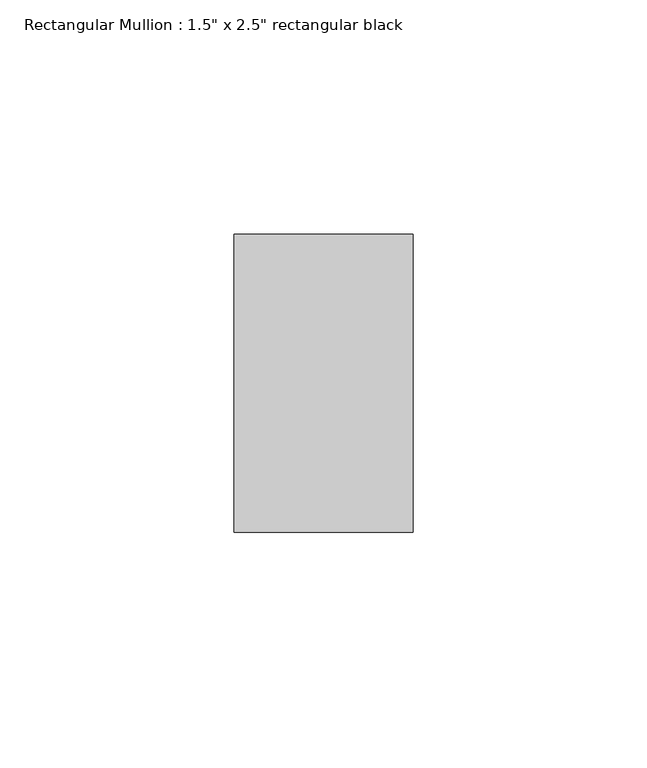
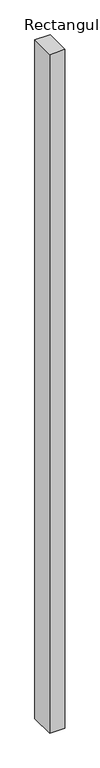
"""IFC4 building model written with IfcOpenShell, lengths in millimetres: member geometry."""

import ifcopenshell
import ifcopenshell.guid

model = None  # the IFC model being written
_history = None  # IfcOwnerHistory: only IFC2X3 demands one
_inside = {}  # id of a spatial element -> (the spatial element, [elements in it])
_under = {}  # id of a project, library or spatial element -> (it, [spatial elements below it])
_declared = {}  # id of a project -> (the project, [libraries it declares])
_typed = {}  # id of a type object -> (the type object, [elements of that type])
_made_of = {}  # id of a material, layer set ... -> (it, [elements and type objects made of it])


def new_model(schema):
    """Start an empty IFC model of exactly this schema.

    Asked for "IFC4X3", IfcOpenShell would pick the latest addendum, in which some entities
    have other attributes; the version numbers below select the first issue.
    IFC2X3 requires an IfcOwnerHistory on every rooted entity: one is made here for all.
    """
    global model, _history
    if schema == "IFC4X3":
        model = ifcopenshell.file(schema_version=(4, 3, 0, 0))
    else:
        model = ifcopenshell.file(schema=schema)
    _inside.clear()
    _under.clear()
    _declared.clear()
    _typed.clear()
    _made_of.clear()
    _history = None
    if model.schema == "IFC2X3":
        org = make("IfcOrganization", Name="unknown")
        user = make(
            "IfcPersonAndOrganization",
            ThePerson=make("IfcPerson", FamilyName="unknown"),
            TheOrganization=org,
        )
        app = make(
            "IfcApplication",
            ApplicationDeveloper=org,
            Version="unknown",
            ApplicationFullName="unknown",
            ApplicationIdentifier="unknown",
        )
        _history = make(
            "IfcOwnerHistory",
            OwningUser=user,
            OwningApplication=app,
            ChangeAction="ADDED",
            CreationDate=0,
        )
    return model


def make(cls, **values):
    """One entity of the class cls with the attributes given. An attribute that is None is left unset."""
    return model.create_entity(
        cls, **{name: value for name, value in values.items() if value is not None}
    )


def rooted(cls, **values):
    """An entity with a GlobalId (a new one), such as an element, a storey or a relation."""
    return make(cls, GlobalId=ifcopenshell.guid.new(), OwnerHistory=_history, **values)


def si_unit(unit_type, name, prefix=None):
    """IfcSIUnit, for example si_unit("LENGTHUNIT", "METRE", prefix="MILLI")."""
    return make("IfcSIUnit", UnitType=unit_type, Prefix=prefix, Name=name)


def assignment(units):
    """IfcUnitAssignment: the units of a project."""
    return None if units is None else make("IfcUnitAssignment", Units=units)


def point(xyz):
    """IfcCartesianPoint."""
    return None if xyz is None else make("IfcCartesianPoint", Coordinates=xyz)


def direction(xyz):
    """IfcDirection."""
    return None if xyz is None else make("IfcDirection", DirectionRatios=xyz)


def frame(location, z_axis=None, x_axis=None):
    """IfcAxis2Placement3D, a coordinate frame: its origin and axes. An axis left out is left unset."""
    return make(
        "IfcAxis2Placement3D",
        Location=point(location),
        Axis=direction(z_axis),
        RefDirection=direction(x_axis),
    )


def origin():
    """The frame at (0, 0, 0) with its axes left unset."""
    return frame((0.0, 0.0, 0.0))


def place(relative_to, where):
    """IfcLocalPlacement: puts the frame where relative to a parent placement (None: the world)."""
    return make(
        "IfcLocalPlacement", PlacementRelTo=relative_to, RelativePlacement=where
    )


def context(
    kind, dimensions, precision=None, world=None, true_north=None, identifier=None
):
    """IfcGeometricRepresentationContext, for example the 3D "Model" context."""
    return make(
        "IfcGeometricRepresentationContext",
        ContextIdentifier=identifier,
        ContextType=kind,
        CoordinateSpaceDimension=dimensions,
        Precision=precision,
        WorldCoordinateSystem=world,
        TrueNorth=true_north,
    )


def project(units=None, contexts=None):
    """IfcProject with its units and contexts."""
    return rooted(
        "IfcProject",
        Name="project",
        RepresentationContexts=contexts,
        UnitsInContext=assignment(units),
    )


def spatial(cls, under=None, at=None, **own):
    """A site, building, storey or space (cls), placed at a placement, below another one or the project."""
    s = rooted(cls, ObjectPlacement=at, **own)
    if under is not None:
        _under.setdefault(under.id(), (under, []))[1].append(s)
    return s


def polyline(points):
    """IfcPolyline through the points."""
    return make("IfcPolyline", Points=[point(p) for p in points])


def outline(outer, holes=None, kind="AREA"):
    """IfcArbitraryClosedProfileDef: a profile drawn as a closed curve; with holes, ...WithVoids."""
    if holes is None:
        return make("IfcArbitraryClosedProfileDef", ProfileType=kind, OuterCurve=outer)
    return make(
        "IfcArbitraryProfileDefWithVoids",
        ProfileType=kind,
        OuterCurve=outer,
        InnerCurves=holes,
    )


def extrude(swept, where, along, depth):
    """IfcExtrudedAreaSolid: the profile swept, set in the frame where, extruded along a direction by depth."""
    return make(
        "IfcExtrudedAreaSolid",
        SweptArea=swept,
        Position=where,
        ExtrudedDirection=direction(along),
        Depth=depth,
    )


def shape(context_of_items, identifier, shape_type, items):
    """IfcShapeRepresentation: the items that make up one representation, for example the "Body"."""
    return make(
        "IfcShapeRepresentation",
        ContextOfItems=context_of_items,
        RepresentationIdentifier=identifier,
        RepresentationType=shape_type,
        Items=items,
    )


def source(mapping_origin, context_of_items, identifier, shape_type, items):
    """IfcRepresentationMap: a shape defined once, which mapped items show again and again."""
    return make(
        "IfcRepresentationMap",
        MappingOrigin=mapping_origin,
        MappedRepresentation=shape(context_of_items, identifier, shape_type, items),
    )


def transform(
    local_origin,
    x_axis=None,
    y_axis=None,
    z_axis=None,
    scale=None,
    scale2=None,
    scale3=None,
    uniform=True,
):
    """IfcCartesianTransformationOperator3D, or its non-uniform kind. x_axis, y_axis, z_axis: its Axis1, 2, 3."""
    if uniform:
        return make(
            "IfcCartesianTransformationOperator3D",
            Axis1=direction(x_axis),
            Axis2=direction(y_axis),
            LocalOrigin=point(local_origin),
            Scale=scale,
            Axis3=direction(z_axis),
        )
    return make(
        "IfcCartesianTransformationOperator3DnonUniform",
        Axis1=direction(x_axis),
        Axis2=direction(y_axis),
        LocalOrigin=point(local_origin),
        Scale=scale,
        Axis3=direction(z_axis),
        Scale2=scale2,
        Scale3=scale3,
    )


def mapped(mapping_source, mapping_target):
    """IfcMappedItem: shows the shape of a source again, moved by a transform."""
    return make(
        "IfcMappedItem", MappingSource=mapping_source, MappingTarget=mapping_target
    )


def made_of(thing, what):
    """Note that an element or type object is made of a material, layer set ...; save() writes the relation."""
    if what is not None:
        _made_of.setdefault(what.id(), (what, []))[1].append(thing)
    return thing


def element(
    cls,
    number,
    at=None,
    inside=None,
    cuts=None,
    type_object=None,
    material=None,
    context=None,
    identifier="Body",
    shape_type=None,
    held_by="IfcProductDefinitionShape",
    body=None,
    shapes=None,
    **own,
):
    """One element of the class cls, such as IfcWall. Its Tag is "e" and its number.

    at: its placement. inside: the storey or other place that contains it. cuts: it is an
    opening in that element (IfcRelVoidsElement). A single representation is given by context,
    identifier, shape_type and body (its items); several are given by shapes. held_by: the class
    of the entity that holds the representations. save() writes the other relations.
    """
    e = rooted(cls, Tag="e%d" % number, ObjectPlacement=at, **own)
    if body is not None:
        shapes = [shape(context, identifier, shape_type, body)]
    if shapes is not None:
        e.Representation = make(held_by, Representations=shapes)
    if inside is not None:
        _inside.setdefault(inside.id(), (inside, []))[1].append(e)
    if cuts is not None:
        rooted(
            "IfcRelVoidsElement", RelatingBuildingElement=cuts, RelatedOpeningElement=e
        )
    if type_object is not None:
        _typed.setdefault(type_object.id(), (type_object, []))[1].append(e)
    return made_of(e, material)


def aggregate(whole, parts):
    """IfcRelAggregates: a whole, such as a stair, and the parts it consists of."""
    return rooted("IfcRelAggregates", RelatingObject=whole, RelatedObjects=parts)


def save(model, path):
    """Write the relations noted so far, then the file.

    IfcRelAggregates (storeys below a building ...), IfcRelContainedInSpatialStructure (elements
    in a storey), IfcRelDefinesByType, IfcRelAssociatesMaterial and IfcRelDeclares: one each for
    every whole, place, type object, material and project.
    """
    for whole, parts in _under.values():
        aggregate(whole, parts)
    for where, things in _inside.values():
        rooted(
            "IfcRelContainedInSpatialStructure",
            RelatedElements=things,
            RelatingStructure=where,
        )
    for kind, things in _typed.values():
        rooted("IfcRelDefinesByType", RelatedObjects=things, RelatingType=kind)
    for what, things in _made_of.values():
        rooted("IfcRelAssociatesMaterial", RelatedObjects=things, RelatingMaterial=what)
    for by, libraries in _declared.values():
        rooted("IfcRelDeclares", RelatingContext=by, RelatedDefinitions=libraries)
    model.write(path)


def member_0762495e(model_context):
    return source(origin(), model_context, "Body", "SweptSolid", [
        extrude(outline(polyline([(0.0, 31.75), (0.0, -31.75), (-38.1, -31.75), (-38.1, 31.75), (0.0, 31.75)])), frame((0.0, 0.0, -1790.7000003), z_axis=(0.0, 0.0, 1.0), x_axis=(1.0, 0.0, 0.0)), (0.0, 0.0, 1.0), 1790.7000003),
    ])


if __name__ == "__main__":
    model = new_model("IFC4")
    model_context = context("Model", 3, world=origin())
    ifc_project = project(units=[si_unit("LENGTHUNIT", "METRE", prefix="MILLI")], contexts=[model_context])
    site = spatial("IfcSite", under=ifc_project)
    building = spatial("IfcBuilding", under=site)
    placement = place(None, origin())
    member_shape = member_0762495e(model_context)
    element("IfcMember", 1, ObjectType="Rectangular Mullion : 1.5\" x 2.5\" rectangular black", at=placement, inside=building, context=model_context, shape_type="MappedRepresentation", body=[
        mapped(member_shape, transform((0.0, 0.0, 0.0), x_axis=(1.0, 0.0, 0.0), y_axis=(0.0, 1.0, 0.0), z_axis=(0.0, 0.0, 1.0))),
    ])
    save(model, "model.ifc")
